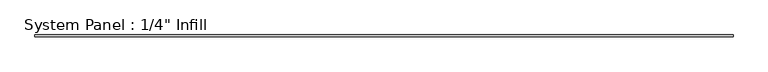
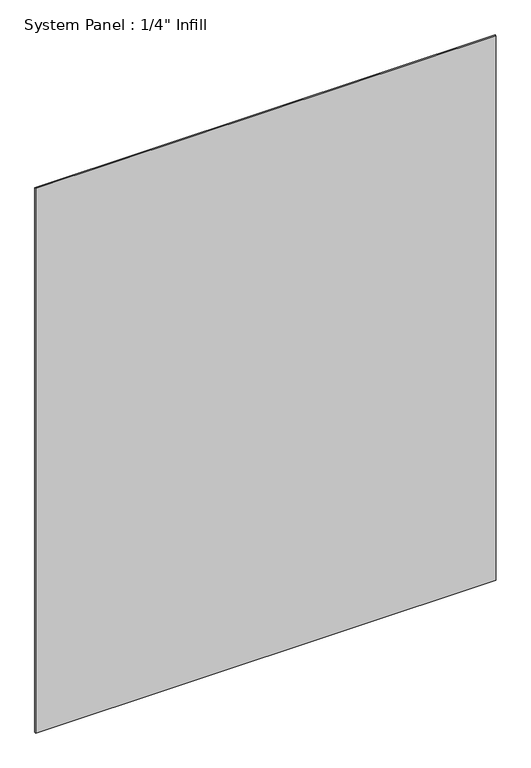
"""IFC4 building model written with IfcOpenShell, lengths in millimetres: plate geometry."""

from ifc_helpers import new_model, si_unit, origin, origin_with_axes, place, context, project, spatial, polyline, outline, extrude, source, transform, mapped, element, save


def plate_eac96872(model_context):
    return source(origin(), model_context, "Body", "SweptSolid", [
        extrude(outline(polyline([(1219.2, 25.4), (-1219.2, 25.4), (-1219.2, 31.75), (1219.2, 31.75), (1219.2, 25.4)])), origin_with_axes(), (0.0, 0.0, 1.0), 3048.0),
    ])


if __name__ == "__main__":
    model = new_model("IFC4")
    model_context = context("Model", 3, world=origin())
    ifc_project = project(units=[si_unit("LENGTHUNIT", "METRE", prefix="MILLI")], contexts=[model_context])
    site = spatial("IfcSite", under=ifc_project)
    building = spatial("IfcBuilding", under=site)
    placement = place(None, origin())
    plate_shape = plate_eac96872(model_context)
    element("IfcPlate", 1, ObjectType="System Panel : 1/4\" Infill", at=placement, inside=building, context=model_context, shape_type="MappedRepresentation", body=[
        mapped(plate_shape, transform((0.0, 0.0, 0.0), x_axis=(1.0, 0.0, 0.0), y_axis=(0.0, 1.0, 0.0), z_axis=(0.0, 0.0, 1.0))),
    ])
    save(model, "model.ifc")
